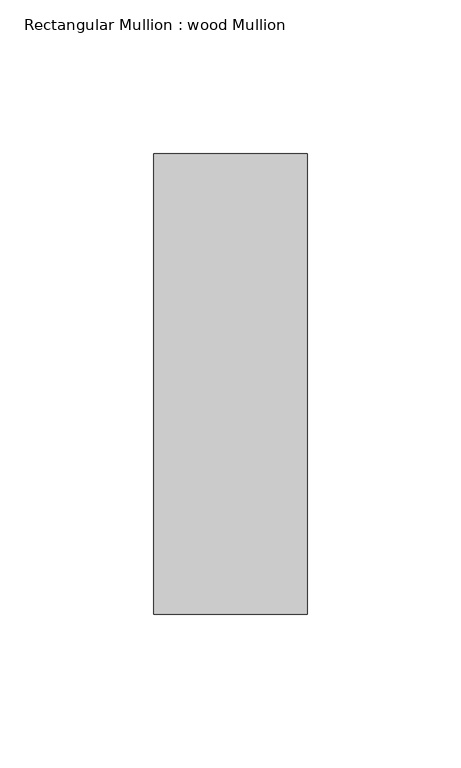
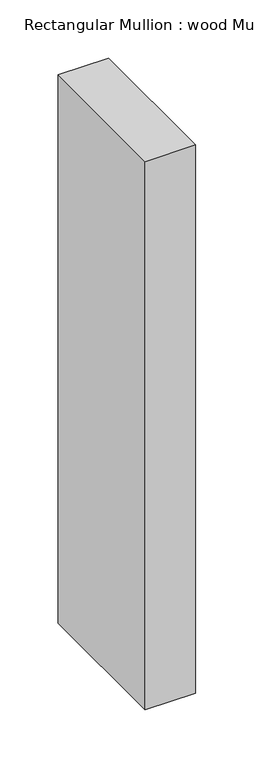
"""IFC4 building model written with IfcOpenShell, lengths in millimetres: member geometry, Rectangular Mullion : wood Mullion."""

from ifc_helpers import new_model, si_unit, frame, origin, place, context, project, spatial, polyline, outline, extrude, source, transform, mapped, element, save


def rectangular_mullion_wood_mullion_89bf1671(model_context):
    return source(origin(), model_context, "Body", "SweptSolid", [
        extrude(outline(polyline([(25.0, 75.0), (25.0, -75.0), (-25.0, -75.0), (-25.0, 75.0), (25.0, 75.0)])), frame((0.0, 0.0, -575.0), z_axis=(0.0, 0.0, 1.0), x_axis=(1.0, 0.0, 0.0)), (0.0, 0.0, 1.0), 575.0),
    ])


if __name__ == "__main__":
    model = new_model("IFC4")
    model_context = context("Model", 3, world=origin())
    ifc_project = project(units=[si_unit("LENGTHUNIT", "METRE", prefix="MILLI")], contexts=[model_context])
    site = spatial("IfcSite", under=ifc_project)
    building = spatial("IfcBuilding", under=site)
    placement = place(None, origin())
    rectangular_mullion_wood_mullion_shape = rectangular_mullion_wood_mullion_89bf1671(model_context)
    element("IfcMember", 1, ObjectType="Rectangular Mullion : wood Mullion", at=placement, inside=building, context=model_context, shape_type="MappedRepresentation", body=[
        mapped(rectangular_mullion_wood_mullion_shape, transform((0.0, 0.0, 0.0), x_axis=(1.0, 0.0, 0.0), y_axis=(0.0, 1.0, 0.0), z_axis=(0.0, 0.0, 1.0))),
    ])
    save(model, "model.ifc")
